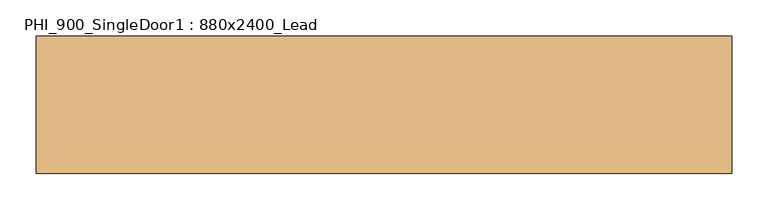
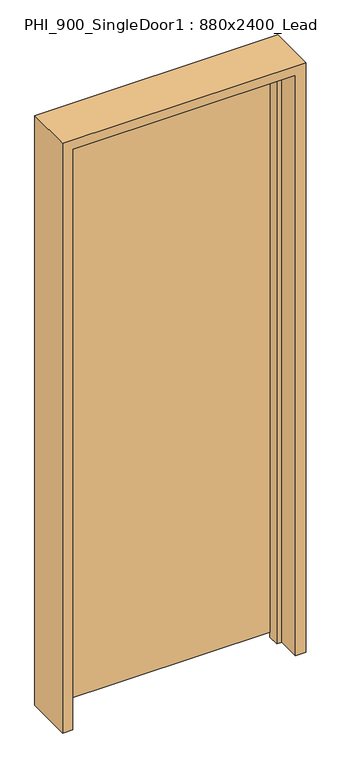
"""IFC4 building model written with IfcOpenShell, lengths in millimetres: door geometry, PHI_900_SingleDoor1 : 880x2400_Lead."""

from ifc_helpers import new_model, si_unit, frame, origin, place, context, project, spatial, polyline, outline, extrude, source, transform, mapped, element, save


def phi_900_singledoor1_880x2400_lead_23fdec09(model_context):
    return source(origin(), model_context, "Body", "SweptSolid", [
        extrude(outline(polyline([(438.0, 95.0), (438.0, 45.0), (-438.0, 45.0), (-438.0, 95.0), (438.0, 95.0)])), frame((0.0, 0.0, 20.0), z_axis=(0.0, 0.0, 1.0), x_axis=(1.0, 0.0, 0.0)), (0.0, 0.0, 1.0), 2398.0),
        extrude(outline(polyline([(2460.0, -480.0), (0.0, -480.0), (0.0, -440.0), (2420.0, -440.0), (2420.0, 440.0), (0.0, 440.0), (0.0, 480.0), (2460.0, 480.0), (2460.0, -480.0)])), frame((0.0, -95.0, 0.0), z_axis=(0.0, 1.0, 0.0), x_axis=(0.0, 0.0, 1.0)), (0.0, 0.0, 1.0), 190.0),
        extrude(outline(polyline([(2420.0, -440.0), (0.0, -440.0), (0.0, -420.0), (2400.0, -420.0), (2400.0, 420.0), (0.0, 420.0), (0.0, 440.0), (2420.0, 440.0), (2420.0, -440.0)])), frame((0.0, 0.0, 0.0), z_axis=(0.0, 1.0, 0.0), x_axis=(0.0, 0.0, 1.0)), (0.0, 0.0, 1.0), 45.0),
    ])


if __name__ == "__main__":
    model = new_model("IFC4")
    model_context = context("Model", 3, world=origin())
    ifc_project = project(units=[si_unit("LENGTHUNIT", "METRE", prefix="MILLI")], contexts=[model_context])
    site = spatial("IfcSite", under=ifc_project)
    building = spatial("IfcBuilding", under=site)
    placement = place(None, origin())
    phi_900_singledoor1_880x2400_lead_shape = phi_900_singledoor1_880x2400_lead_23fdec09(model_context)
    element("IfcDoor", 1, ObjectType="PHI_900_SingleDoor1 : 880x2400_Lead", at=placement, inside=building, context=model_context, shape_type="MappedRepresentation", body=[
        mapped(phi_900_singledoor1_880x2400_lead_shape, transform((0.0, 0.0, 0.0), x_axis=(1.0, 0.0, 0.0), y_axis=(0.0, 1.0, 0.0), z_axis=(0.0, 0.0, 1.0))),
    ])
    save(model, "model.ifc")
